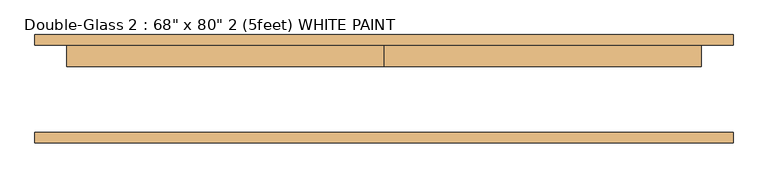
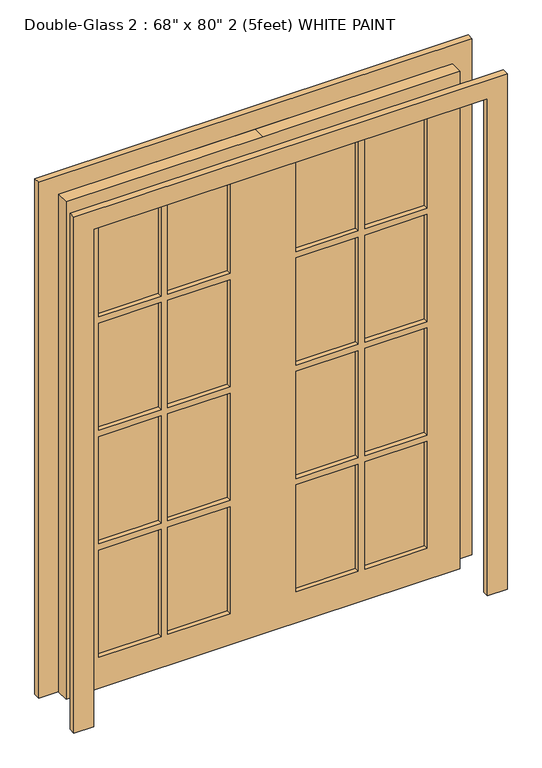
"""IFC4 building model written with IfcOpenShell, lengths in millimetres: door geometry."""

from ifc_helpers import new_model, si_unit, frame, origin, place, context, project, spatial, polyline, outline, extrude, source, transform, mapped, element, save


def door_694cb726(model_context):
    return source(origin(), model_context, "Body", "SweptSolid", [
        extrude(outline(polyline([(393.7, 85.725), (635.0, 85.725), (635.0, 73.025), (393.7, 73.025), (393.7, 85.725)])), frame((0.0, 0.0, 1517.65), z_axis=(0.0, 0.0, 1.0), x_axis=(1.0, 0.0, 0.0)), (0.0, 0.0, 1.0), 438.15),
        extrude(outline(polyline([(127.0, 85.725), (368.3, 85.725), (368.3, 73.025), (127.0, 73.025), (127.0, 85.725)])), frame((0.0, 0.0, 1517.65), z_axis=(0.0, 0.0, 1.0), x_axis=(1.0, 0.0, 0.0)), (0.0, 0.0, 1.0), 438.15),
        extrude(outline(polyline([(-368.3, 85.725), (-127.0, 85.725), (-127.0, 73.025), (-368.3, 73.025), (-368.3, 85.725)])), frame((0.0, 0.0, 1517.65), z_axis=(0.0, 0.0, 1.0), x_axis=(1.0, 0.0, 0.0)), (0.0, 0.0, 1.0), 438.15),
        extrude(outline(polyline([(-635.0, 85.725), (-393.7, 85.725), (-393.7, 73.025), (-635.0, 73.025), (-635.0, 85.725)])), frame((0.0, 0.0, 1517.65), z_axis=(0.0, 0.0, 1.0), x_axis=(1.0, 0.0, 0.0)), (0.0, 0.0, 1.0), 438.15),
        extrude(outline(polyline([(-635.0, 85.725), (-393.7, 85.725), (-393.7, 73.025), (-635.0, 73.025), (-635.0, 85.725)])), frame((0.0, 0.0, 1054.1), z_axis=(0.0, 0.0, 1.0), x_axis=(1.0, 0.0, 0.0)), (0.0, 0.0, 1.0), 438.15),
        extrude(outline(polyline([(-368.3, 85.725), (-127.0, 85.725), (-127.0, 73.025), (-368.3, 73.025), (-368.3, 85.725)])), frame((0.0, 0.0, 1054.1), z_axis=(0.0, 0.0, 1.0), x_axis=(1.0, 0.0, 0.0)), (0.0, 0.0, 1.0), 438.15),
        extrude(outline(polyline([(127.0, 85.725), (368.3, 85.725), (368.3, 73.025), (127.0, 73.025), (127.0, 85.725)])), frame((0.0, 0.0, 1054.1), z_axis=(0.0, 0.0, 1.0), x_axis=(1.0, 0.0, 0.0)), (0.0, 0.0, 1.0), 438.15),
        extrude(outline(polyline([(393.7, 85.725), (635.0, 85.725), (635.0, 73.025), (393.7, 73.025), (393.7, 85.725)])), frame((0.0, 0.0, 1054.1), z_axis=(0.0, 0.0, 1.0), x_axis=(1.0, 0.0, 0.0)), (0.0, 0.0, 1.0), 438.15),
        extrude(outline(polyline([(393.7, 85.725), (635.0, 85.725), (635.0, 73.025), (393.7, 73.025), (393.7, 85.725)])), frame((0.0, 0.0, 590.55), z_axis=(0.0, 0.0, 1.0), x_axis=(1.0, 0.0, 0.0)), (0.0, 0.0, 1.0), 438.15),
        extrude(outline(polyline([(127.0, 85.725), (368.3, 85.725), (368.3, 73.025), (127.0, 73.025), (127.0, 85.725)])), frame((0.0, 0.0, 590.55), z_axis=(0.0, 0.0, 1.0), x_axis=(1.0, 0.0, 0.0)), (0.0, 0.0, 1.0), 438.15),
        extrude(outline(polyline([(-368.3, 85.725), (-127.0, 85.725), (-127.0, 73.025), (-368.3, 73.025), (-368.3, 85.725)])), frame((0.0, 0.0, 590.55), z_axis=(0.0, 0.0, 1.0), x_axis=(1.0, 0.0, 0.0)), (0.0, 0.0, 1.0), 438.15),
        extrude(outline(polyline([(-635.0, 85.725), (-393.7, 85.725), (-393.7, 73.025), (-635.0, 73.025), (-635.0, 85.725)])), frame((0.0, 0.0, 590.55), z_axis=(0.0, 0.0, 1.0), x_axis=(1.0, 0.0, 0.0)), (0.0, 0.0, 1.0), 438.15),
        extrude(outline(polyline([(393.7, 85.725), (635.0, 85.725), (635.0, 73.025), (393.7, 73.025), (393.7, 85.725)])), frame((0.0, 0.0, 127.0), z_axis=(0.0, 0.0, 1.0), x_axis=(1.0, 0.0, 0.0)), (0.0, 0.0, 1.0), 438.15),
        extrude(outline(polyline([(127.0, 85.725), (368.3, 85.725), (368.3, 73.025), (127.0, 73.025), (127.0, 85.725)])), frame((0.0, 0.0, 127.0), z_axis=(0.0, 0.0, 1.0), x_axis=(1.0, 0.0, 0.0)), (0.0, 0.0, 1.0), 438.15),
        extrude(outline(polyline([(-368.3, 85.725), (-127.0, 85.725), (-127.0, 73.025), (-368.3, 73.025), (-368.3, 85.725)])), frame((0.0, 0.0, 127.0), z_axis=(0.0, 0.0, 1.0), x_axis=(1.0, 0.0, 0.0)), (0.0, 0.0, 1.0), 438.15),
        extrude(outline(polyline([(-635.0, 85.725), (-393.7, 85.725), (-393.7, 73.025), (-635.0, 73.025), (-635.0, 85.725)])), frame((0.0, 0.0, 127.0), z_axis=(0.0, 0.0, 1.0), x_axis=(1.0, 0.0, 0.0)), (0.0, 0.0, 1.0), 438.15),
        extrude(outline(polyline([(2032.0, 0.0), (2032.0, -762.0), (0.0, -762.0), (0.0, 0.0), (0.0, 762.0), (2032.0, 762.0), (2032.0, 0.0)]), holes=[polyline([(1955.8, 393.7), (1955.8, 635.0), (1517.65, 635.0), (1517.65, 393.7), (1955.8, 393.7)]), polyline([(1955.8, 127.0), (1955.8, 368.3), (1517.65, 368.3), (1517.65, 127.0), (1955.8, 127.0)]), polyline([(1492.25, 393.7), (1492.25, 635.0), (1054.1, 635.0), (1054.1, 393.7), (1492.25, 393.7)]), polyline([(1492.25, 127.0), (1492.25, 368.3), (1054.1, 368.3), (1054.1, 127.0), (1492.25, 127.0)]), polyline([(1028.7, 393.7), (1028.7, 635.0), (590.55, 635.0), (590.55, 393.7), (1028.7, 393.7)]), polyline([(1028.7, 127.0), (1028.7, 368.3), (590.55, 368.3), (590.55, 127.0), (1028.7, 127.0)]), polyline([(565.15, 393.7), (565.15, 635.0), (127.0, 635.0), (127.0, 393.7), (565.15, 393.7)]), polyline([(565.15, 127.0), (565.15, 368.3), (127.0, 368.3), (127.0, 127.0), (565.15, 127.0)]), polyline([(1955.8, -368.3), (1955.8, -127.0), (1517.65, -127.0), (1517.65, -368.3), (1955.8, -368.3)]), polyline([(1492.25, -368.3), (1492.25, -127.0), (1054.1, -127.0), (1054.1, -368.3), (1492.25, -368.3)]), polyline([(1492.25, -393.7), (1054.1, -393.7), (1054.1, -635.0), (1492.25, -635.0), (1492.25, -393.7)]), polyline([(1028.7, -368.3), (1028.7, -127.0), (590.55, -127.0), (590.55, -368.3), (1028.7, -368.3)]), polyline([(1028.7, -393.7), (590.55, -393.7), (590.55, -635.0), (1028.7, -635.0), (1028.7, -393.7)]), polyline([(565.15, -368.3), (565.15, -127.0), (127.0, -127.0), (127.0, -368.3), (565.15, -368.3)]), polyline([(565.15, -635.0), (565.15, -393.7), (127.0, -393.7), (127.0, -635.0), (565.15, -635.0)]), polyline([(1517.65, -393.7), (1517.65, -635.0), (1955.8, -635.0), (1955.8, -393.7), (1517.65, -393.7)])]), frame((0.0, 53.975, 0.0), z_axis=(0.0, 1.0, 0.0), x_axis=(0.0, 0.0, 1.0)), (0.0, 0.0, 1.0), 50.8),
        extrude(outline(polyline([(2032.0, -762.0), (2032.0, 762.0), (0.0, 762.0), (0.0, 838.2), (2108.2, 838.2), (2108.2, -838.2), (0.0, -838.2), (0.0, -762.0), (2032.0, -762.0)])), frame((0.0, -130.175, 0.0), z_axis=(0.0, 1.0, 0.0), x_axis=(0.0, 0.0, 1.0)), (0.0, 0.0, 1.0), 25.4),
        extrude(outline(polyline([(2032.0, -762.0), (2032.0, 762.0), (0.0, 762.0), (0.0, 838.2), (2108.2, 838.2), (2108.2, -838.2), (0.0, -838.2), (0.0, -762.0), (2032.0, -762.0)])), frame((0.0, 104.775, 0.0), z_axis=(0.0, 1.0, 0.0), x_axis=(0.0, 0.0, 1.0)), (0.0, 0.0, 1.0), 25.4),
    ])


if __name__ == "__main__":
    model = new_model("IFC4")
    model_context = context("Model", 3, world=origin())
    ifc_project = project(units=[si_unit("LENGTHUNIT", "METRE", prefix="MILLI")], contexts=[model_context])
    site = spatial("IfcSite", under=ifc_project)
    building = spatial("IfcBuilding", under=site)
    placement = place(None, origin())
    door_shape = door_694cb726(model_context)
    element("IfcDoor", 1, ObjectType="Double-Glass 2 : 68\" x 80\" 2 (5feet) WHITE PAINT", at=placement, inside=building, context=model_context, shape_type="MappedRepresentation", body=[
        mapped(door_shape, transform((0.0, 0.0, 0.0), x_axis=(1.0, 0.0, 0.0), y_axis=(0.0, 1.0, 0.0), z_axis=(0.0, 0.0, 1.0))),
    ])
    save(model, "model.ifc")
